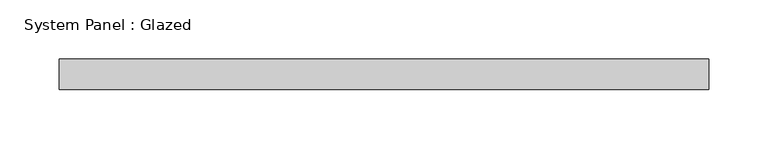
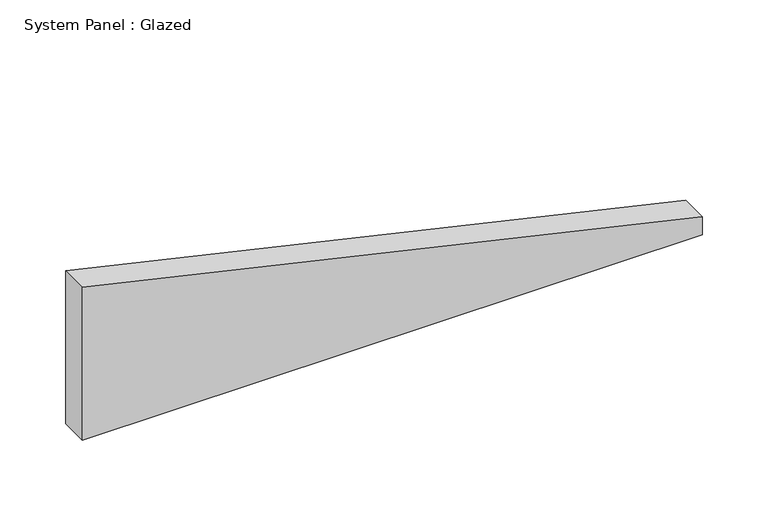
"""IFC4 building model written with IfcOpenShell, lengths in millimetres: plate geometry, System Panel : Glazed."""

import ifcopenshell
import ifcopenshell.guid

model = None  # the IFC model being written
_history = None  # IfcOwnerHistory: only IFC2X3 demands one
_inside = {}  # id of a spatial element -> (the spatial element, [elements in it])
_under = {}  # id of a project, library or spatial element -> (it, [spatial elements below it])
_declared = {}  # id of a project -> (the project, [libraries it declares])
_typed = {}  # id of a type object -> (the type object, [elements of that type])
_made_of = {}  # id of a material, layer set ... -> (it, [elements and type objects made of it])


def new_model(schema):
    """Start an empty IFC model of exactly this schema.

    Asked for "IFC4X3", IfcOpenShell would pick the latest addendum, in which some entities
    have other attributes; the version numbers below select the first issue.
    IFC2X3 requires an IfcOwnerHistory on every rooted entity: one is made here for all.
    """
    global model, _history
    if schema == "IFC4X3":
        model = ifcopenshell.file(schema_version=(4, 3, 0, 0))
    else:
        model = ifcopenshell.file(schema=schema)
    _inside.clear()
    _under.clear()
    _declared.clear()
    _typed.clear()
    _made_of.clear()
    _history = None
    if model.schema == "IFC2X3":
        org = make("IfcOrganization", Name="unknown")
        user = make(
            "IfcPersonAndOrganization",
            ThePerson=make("IfcPerson", FamilyName="unknown"),
            TheOrganization=org,
        )
        app = make(
            "IfcApplication",
            ApplicationDeveloper=org,
            Version="unknown",
            ApplicationFullName="unknown",
            ApplicationIdentifier="unknown",
        )
        _history = make(
            "IfcOwnerHistory",
            OwningUser=user,
            OwningApplication=app,
            ChangeAction="ADDED",
            CreationDate=0,
        )
    return model


def make(cls, **values):
    """One entity of the class cls with the attributes given. An attribute that is None is left unset."""
    return model.create_entity(
        cls, **{name: value for name, value in values.items() if value is not None}
    )


def rooted(cls, **values):
    """An entity with a GlobalId (a new one), such as an element, a storey or a relation."""
    return make(cls, GlobalId=ifcopenshell.guid.new(), OwnerHistory=_history, **values)


def si_unit(unit_type, name, prefix=None):
    """IfcSIUnit, for example si_unit("LENGTHUNIT", "METRE", prefix="MILLI")."""
    return make("IfcSIUnit", UnitType=unit_type, Prefix=prefix, Name=name)


def assignment(units):
    """IfcUnitAssignment: the units of a project."""
    return None if units is None else make("IfcUnitAssignment", Units=units)


def point(xyz):
    """IfcCartesianPoint."""
    return None if xyz is None else make("IfcCartesianPoint", Coordinates=xyz)


def direction(xyz):
    """IfcDirection."""
    return None if xyz is None else make("IfcDirection", DirectionRatios=xyz)


def frame(location, z_axis=None, x_axis=None):
    """IfcAxis2Placement3D, a coordinate frame: its origin and axes. An axis left out is left unset."""
    return make(
        "IfcAxis2Placement3D",
        Location=point(location),
        Axis=direction(z_axis),
        RefDirection=direction(x_axis),
    )


def origin():
    """The frame at (0, 0, 0) with its axes left unset."""
    return frame((0.0, 0.0, 0.0))


def place(relative_to, where):
    """IfcLocalPlacement: puts the frame where relative to a parent placement (None: the world)."""
    return make(
        "IfcLocalPlacement", PlacementRelTo=relative_to, RelativePlacement=where
    )


def context(
    kind, dimensions, precision=None, world=None, true_north=None, identifier=None
):
    """IfcGeometricRepresentationContext, for example the 3D "Model" context."""
    return make(
        "IfcGeometricRepresentationContext",
        ContextIdentifier=identifier,
        ContextType=kind,
        CoordinateSpaceDimension=dimensions,
        Precision=precision,
        WorldCoordinateSystem=world,
        TrueNorth=true_north,
    )


def project(units=None, contexts=None):
    """IfcProject with its units and contexts."""
    return rooted(
        "IfcProject",
        Name="project",
        RepresentationContexts=contexts,
        UnitsInContext=assignment(units),
    )


def spatial(cls, under=None, at=None, **own):
    """A site, building, storey or space (cls), placed at a placement, below another one or the project."""
    s = rooted(cls, ObjectPlacement=at, **own)
    if under is not None:
        _under.setdefault(under.id(), (under, []))[1].append(s)
    return s


def polyline(points):
    """IfcPolyline through the points."""
    return make("IfcPolyline", Points=[point(p) for p in points])


def outline(outer, holes=None, kind="AREA"):
    """IfcArbitraryClosedProfileDef: a profile drawn as a closed curve; with holes, ...WithVoids."""
    if holes is None:
        return make("IfcArbitraryClosedProfileDef", ProfileType=kind, OuterCurve=outer)
    return make(
        "IfcArbitraryProfileDefWithVoids",
        ProfileType=kind,
        OuterCurve=outer,
        InnerCurves=holes,
    )


def extrude(swept, where, along, depth):
    """IfcExtrudedAreaSolid: the profile swept, set in the frame where, extruded along a direction by depth."""
    return make(
        "IfcExtrudedAreaSolid",
        SweptArea=swept,
        Position=where,
        ExtrudedDirection=direction(along),
        Depth=depth,
    )


def shape(context_of_items, identifier, shape_type, items):
    """IfcShapeRepresentation: the items that make up one representation, for example the "Body"."""
    return make(
        "IfcShapeRepresentation",
        ContextOfItems=context_of_items,
        RepresentationIdentifier=identifier,
        RepresentationType=shape_type,
        Items=items,
    )


def source(mapping_origin, context_of_items, identifier, shape_type, items):
    """IfcRepresentationMap: a shape defined once, which mapped items show again and again."""
    return make(
        "IfcRepresentationMap",
        MappingOrigin=mapping_origin,
        MappedRepresentation=shape(context_of_items, identifier, shape_type, items),
    )


def transform(
    local_origin,
    x_axis=None,
    y_axis=None,
    z_axis=None,
    scale=None,
    scale2=None,
    scale3=None,
    uniform=True,
):
    """IfcCartesianTransformationOperator3D, or its non-uniform kind. x_axis, y_axis, z_axis: its Axis1, 2, 3."""
    if uniform:
        return make(
            "IfcCartesianTransformationOperator3D",
            Axis1=direction(x_axis),
            Axis2=direction(y_axis),
            LocalOrigin=point(local_origin),
            Scale=scale,
            Axis3=direction(z_axis),
        )
    return make(
        "IfcCartesianTransformationOperator3DnonUniform",
        Axis1=direction(x_axis),
        Axis2=direction(y_axis),
        LocalOrigin=point(local_origin),
        Scale=scale,
        Axis3=direction(z_axis),
        Scale2=scale2,
        Scale3=scale3,
    )


def mapped(mapping_source, mapping_target):
    """IfcMappedItem: shows the shape of a source again, moved by a transform."""
    return make(
        "IfcMappedItem", MappingSource=mapping_source, MappingTarget=mapping_target
    )


def made_of(thing, what):
    """Note that an element or type object is made of a material, layer set ...; save() writes the relation."""
    if what is not None:
        _made_of.setdefault(what.id(), (what, []))[1].append(thing)
    return thing


def element(
    cls,
    number,
    at=None,
    inside=None,
    cuts=None,
    type_object=None,
    material=None,
    context=None,
    identifier="Body",
    shape_type=None,
    held_by="IfcProductDefinitionShape",
    body=None,
    shapes=None,
    **own,
):
    """One element of the class cls, such as IfcWall. Its Tag is "e" and its number.

    at: its placement. inside: the storey or other place that contains it. cuts: it is an
    opening in that element (IfcRelVoidsElement). A single representation is given by context,
    identifier, shape_type and body (its items); several are given by shapes. held_by: the class
    of the entity that holds the representations. save() writes the other relations.
    """
    e = rooted(cls, Tag="e%d" % number, ObjectPlacement=at, **own)
    if body is not None:
        shapes = [shape(context, identifier, shape_type, body)]
    if shapes is not None:
        e.Representation = make(held_by, Representations=shapes)
    if inside is not None:
        _inside.setdefault(inside.id(), (inside, []))[1].append(e)
    if cuts is not None:
        rooted(
            "IfcRelVoidsElement", RelatingBuildingElement=cuts, RelatedOpeningElement=e
        )
    if type_object is not None:
        _typed.setdefault(type_object.id(), (type_object, []))[1].append(e)
    return made_of(e, material)


def aggregate(whole, parts):
    """IfcRelAggregates: a whole, such as a stair, and the parts it consists of."""
    return rooted("IfcRelAggregates", RelatingObject=whole, RelatedObjects=parts)


def save(model, path):
    """Write the relations noted so far, then the file.

    IfcRelAggregates (storeys below a building ...), IfcRelContainedInSpatialStructure (elements
    in a storey), IfcRelDefinesByType, IfcRelAssociatesMaterial and IfcRelDeclares: one each for
    every whole, place, type object, material and project.
    """
    for whole, parts in _under.values():
        aggregate(whole, parts)
    for where, things in _inside.values():
        rooted(
            "IfcRelContainedInSpatialStructure",
            RelatedElements=things,
            RelatingStructure=where,
        )
    for kind, things in _typed.values():
        rooted("IfcRelDefinesByType", RelatedObjects=things, RelatingType=kind)
    for what, things in _made_of.values():
        rooted("IfcRelAssociatesMaterial", RelatedObjects=things, RelatingMaterial=what)
    for by, libraries in _declared.values():
        rooted("IfcRelDeclares", RelatingContext=by, RelatedDefinitions=libraries)
    model.write(path)


def system_panel_glazed_b67218f7(model_context):
    return source(origin(), model_context, "Body", "SweptSolid", [
        extrude(outline(polyline([(0.0, -273.05), (0.0, 273.05), (16.9953797, 273.05), (142.229701, -273.05), (0.0, -273.05)])), frame((0.0, 19.05, 0.0), z_axis=(0.0, 1.0, 0.0), x_axis=(0.0, 0.0, 1.0)), (0.0, 0.0, 1.0), 25.4),
    ])


if __name__ == "__main__":
    model = new_model("IFC4")
    model_context = context("Model", 3, world=origin())
    ifc_project = project(units=[si_unit("LENGTHUNIT", "METRE", prefix="MILLI")], contexts=[model_context])
    site = spatial("IfcSite", under=ifc_project)
    building = spatial("IfcBuilding", under=site)
    placement = place(None, origin())
    system_panel_glazed_shape = system_panel_glazed_b67218f7(model_context)
    element("IfcPlate", 1, ObjectType="System Panel : Glazed", at=placement, inside=building, context=model_context, shape_type="MappedRepresentation", body=[
        mapped(system_panel_glazed_shape, transform((0.0, 0.0, 0.0), x_axis=(1.0, 0.0, 0.0), y_axis=(0.0, 1.0, 0.0), z_axis=(0.0, 0.0, 1.0))),
    ])
    save(model, "model.ifc")
